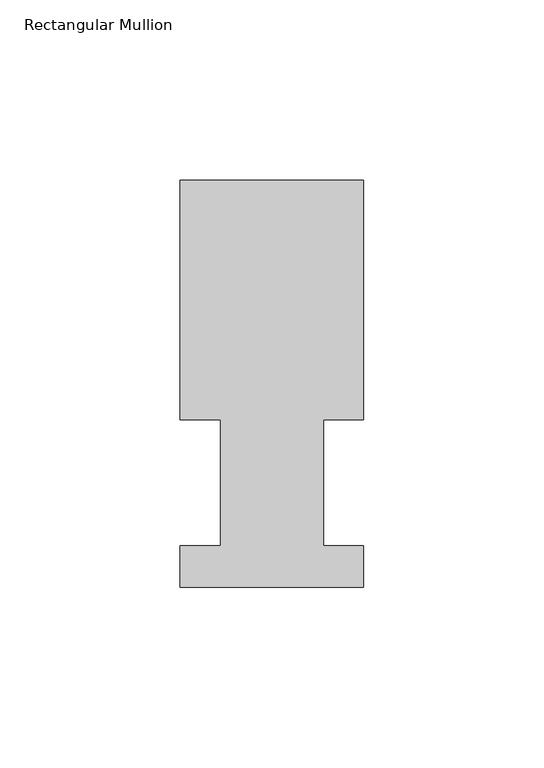
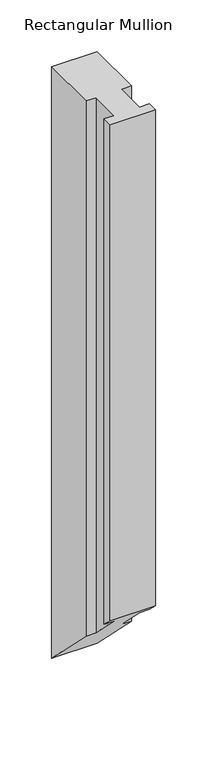
"""IFC4 building model written with IfcOpenShell, lengths in millimetres: member geometry, Rectangular Mullion."""

from ifc_helpers import new_model, si_unit, origin, place, context, project, spatial, faceted_brep, source, transform, mapped, element, save


def rectangular_mullion_7ff7e41f(model_context):
    return source(origin(), model_context, "Body", "Brep", [
        faceted_brep([(-50.8, 0.739775, 0.0), (0.0, 0.739775, 0.0), (0.0, 12.144375, 0.0), (-11.0998, 12.144375, 0.0), (-11.0998, 47.069375, 0.0), (0.0, 47.069375, 0.0), (0.0, 113.464975, 0.0), (-50.8, 113.464975, 0.0), (-50.8, 47.069375, 0.0), (-39.6875, 47.069375, 0.0), (-39.6875, 12.144375, 0.0), (-50.8, 12.144375, 0.0), (-50.8, 0.739775, -584.939775), (0.0, 0.739775, -584.939775), (0.0, 12.144375, -596.344375), (-11.0998, 12.144375, -596.344375), (-11.0998, 47.069375, -631.269375), (0.0, 47.069375, -631.269375), (0.0, 113.464975, -697.664975), (-50.8, 113.464975, -697.664975), (-50.8, 47.069375, -631.269375), (-39.6875, 47.069375, -631.269375), (-39.6875, 12.144375, -596.344375), (-50.8, 12.144375, -596.344375)], [[[0, 1, 2, 3, 4, 5, 6, 7, 8, 9, 10, 11]], [[1, 0, 12, 13]], [[2, 1, 13, 14]], [[3, 2, 14, 15]], [[4, 3, 15, 16]], [[5, 4, 16, 17]], [[6, 5, 17, 18]], [[7, 6, 18, 19]], [[8, 7, 19, 20]], [[9, 8, 20, 21]], [[10, 9, 21, 22]], [[11, 10, 22, 23]], [[0, 11, 23, 12]], [[12, 23, 22, 21, 20, 19, 18, 17, 16, 15, 14, 13]]]),
    ])


if __name__ == "__main__":
    model = new_model("IFC4")
    model_context = context("Model", 3, world=origin())
    ifc_project = project(units=[si_unit("LENGTHUNIT", "METRE", prefix="MILLI")], contexts=[model_context])
    site = spatial("IfcSite", under=ifc_project)
    building = spatial("IfcBuilding", under=site)
    placement = place(None, origin())
    rectangular_mullion_shape = rectangular_mullion_7ff7e41f(model_context)
    element("IfcMember", 1, ObjectType="Rectangular Mullion", at=placement, inside=building, context=model_context, shape_type="MappedRepresentation", body=[
        mapped(rectangular_mullion_shape, transform((0.0, 0.0, 0.0), x_axis=(1.0, 0.0, 0.0), y_axis=(0.0, 1.0, 0.0), z_axis=(0.0, 0.0, 1.0))),
    ])
    save(model, "model.ifc")
